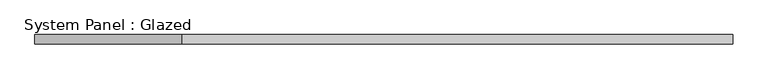
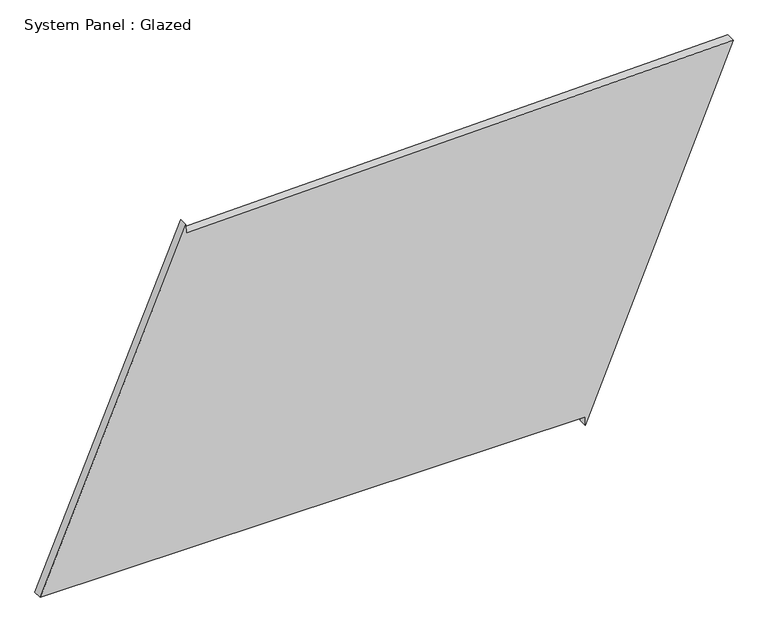
"""IFC4 building model written with IfcOpenShell, lengths in millimetres: plate geometry, System Panel : Glazed."""

from ifc_helpers import new_model, si_unit, frame, origin, place, context, project, spatial, polyline, outline, extrude, source, transform, mapped, element, save


def system_panel_glazed_00ec6cbf(model_context):
    return source(origin(), model_context, "Body", "SweptSolid", [
        extrude(outline(polyline([(25.0, 541.8847023), (0.0, 541.8847023), (971.1602386, 944.6141241), (936.1660727, -546.8115957), (961.1591938, -547.3980235), (25.0, -944.6141241), (25.0, 541.8847023)])), frame((0.0, -49.5, 0.0), z_axis=(0.0, 1.0, 0.0), x_axis=(0.0, 0.0, 1.0)), (0.0, 0.0, 1.0), 25.0),
    ])


if __name__ == "__main__":
    model = new_model("IFC4")
    model_context = context("Model", 3, world=origin())
    ifc_project = project(units=[si_unit("LENGTHUNIT", "METRE", prefix="MILLI")], contexts=[model_context])
    site = spatial("IfcSite", under=ifc_project)
    building = spatial("IfcBuilding", under=site)
    placement = place(None, origin())
    system_panel_glazed_shape = system_panel_glazed_00ec6cbf(model_context)
    element("IfcPlate", 1, ObjectType="System Panel : Glazed", at=placement, inside=building, context=model_context, shape_type="MappedRepresentation", body=[
        mapped(system_panel_glazed_shape, transform((0.0, 0.0, 0.0), x_axis=(1.0, 0.0, 0.0), y_axis=(0.0, 1.0, 0.0), z_axis=(0.0, 0.0, 1.0))),
    ])
    save(model, "model.ifc")
